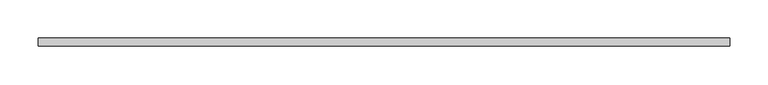
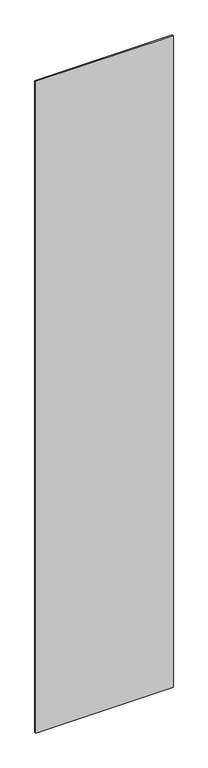
"""IFC4 building model written with IfcOpenShell, lengths in millimetres: plate geometry."""

from ifc_helpers import new_model, si_unit, origin, origin_with_axes, place, context, project, spatial, polyline, outline, extrude, source, transform, mapped, element, save


def plate_4a722923(model_context):
    return source(origin(), model_context, "Body", "SweptSolid", [
        extrude(outline(polyline([(450.0, -5.0), (-450.0, -5.0), (-450.0, 5.0), (450.0, 5.0), (450.0, -5.0)])), origin_with_axes(), (0.0, 0.0, 1.0), 4500.0),
    ])


if __name__ == "__main__":
    model = new_model("IFC4")
    model_context = context("Model", 3, world=origin())
    ifc_project = project(units=[si_unit("LENGTHUNIT", "METRE", prefix="MILLI")], contexts=[model_context])
    site = spatial("IfcSite", under=ifc_project)
    building = spatial("IfcBuilding", under=site)
    placement = place(None, origin())
    plate_shape = plate_4a722923(model_context)
    element("IfcPlate", 1, at=placement, inside=building, context=model_context, shape_type="MappedRepresentation", body=[
        mapped(plate_shape, transform((0.0, 0.0, 0.0), x_axis=(1.0, 0.0, 0.0), y_axis=(0.0, 1.0, 0.0), z_axis=(0.0, 0.0, 1.0))),
    ])
    save(model, "model.ifc")
